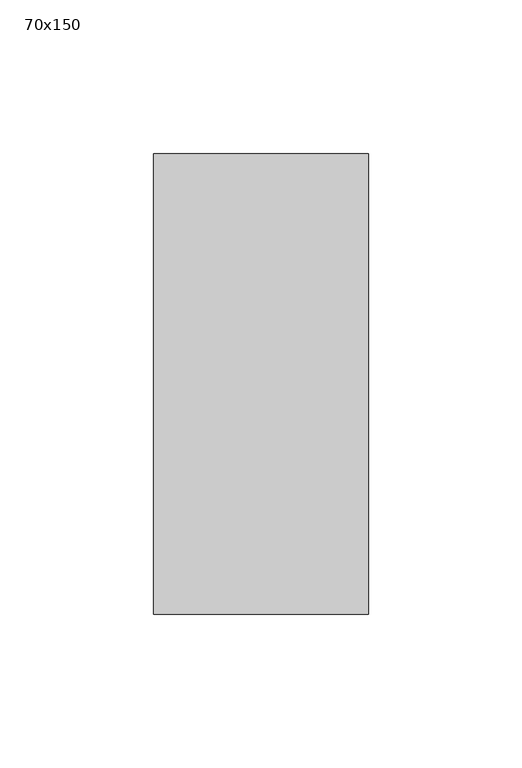
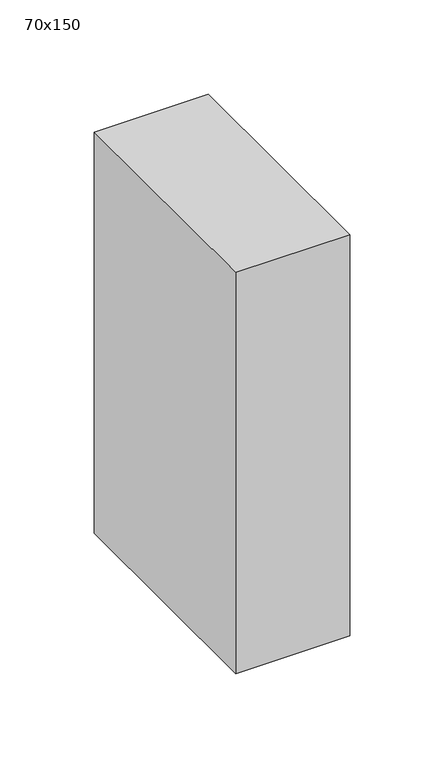
"""IFC4 building model written with IfcOpenShell, lengths in millimetres: member geometry, 70x150."""

from ifc_helpers import new_model, si_unit, frame, origin, place, context, project, spatial, polyline, outline, extrude, source, transform, mapped, element, save


def member_70x150_a15bb337(model_context):
    return source(origin(), model_context, "Body", "SweptSolid", [
        extrude(outline(polyline([(0.0, 75.0), (0.0, -75.0), (-70.0, -75.0), (-70.0, 75.0), (0.0, 75.0)])), frame((0.0, 0.0, -260.0), z_axis=(0.0, 0.0, 1.0), x_axis=(1.0, 0.0, 0.0)), (0.0, 0.0, 1.0), 260.0),
    ])


if __name__ == "__main__":
    model = new_model("IFC4")
    model_context = context("Model", 3, world=origin())
    ifc_project = project(units=[si_unit("LENGTHUNIT", "METRE", prefix="MILLI")], contexts=[model_context])
    site = spatial("IfcSite", under=ifc_project)
    building = spatial("IfcBuilding", under=site)
    placement = place(None, origin())
    member_70x150_shape = member_70x150_a15bb337(model_context)
    element("IfcMember", 1, ObjectType="70x150", at=placement, inside=building, context=model_context, shape_type="MappedRepresentation", body=[
        mapped(member_70x150_shape, transform((0.0, 0.0, 0.0), x_axis=(1.0, 0.0, 0.0), y_axis=(0.0, 1.0, 0.0), z_axis=(0.0, 0.0, 1.0))),
    ])
    save(model, "model.ifc")
